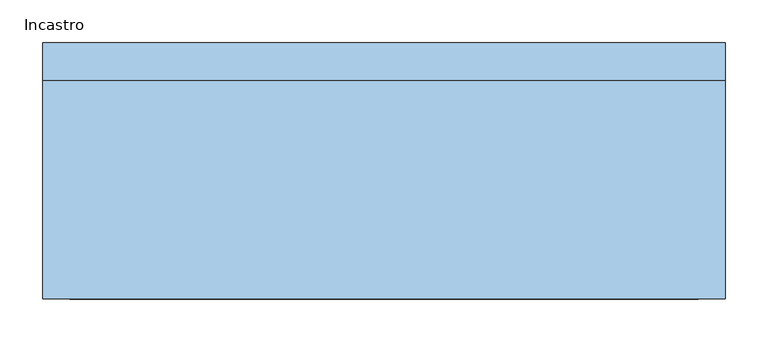
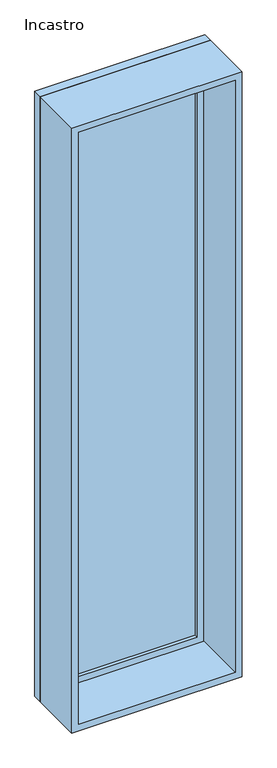
"""IFC4 building model written with IfcOpenShell, lengths in millimetres: window geometry, Incastro."""

import ifcopenshell
import ifcopenshell.guid

model = None  # the IFC model being written
_history = None  # IfcOwnerHistory: only IFC2X3 demands one
_inside = {}  # id of a spatial element -> (the spatial element, [elements in it])
_under = {}  # id of a project, library or spatial element -> (it, [spatial elements below it])
_declared = {}  # id of a project -> (the project, [libraries it declares])
_typed = {}  # id of a type object -> (the type object, [elements of that type])
_made_of = {}  # id of a material, layer set ... -> (it, [elements and type objects made of it])


def new_model(schema):
    """Start an empty IFC model of exactly this schema.

    Asked for "IFC4X3", IfcOpenShell would pick the latest addendum, in which some entities
    have other attributes; the version numbers below select the first issue.
    IFC2X3 requires an IfcOwnerHistory on every rooted entity: one is made here for all.
    """
    global model, _history
    if schema == "IFC4X3":
        model = ifcopenshell.file(schema_version=(4, 3, 0, 0))
    else:
        model = ifcopenshell.file(schema=schema)
    _inside.clear()
    _under.clear()
    _declared.clear()
    _typed.clear()
    _made_of.clear()
    _history = None
    if model.schema == "IFC2X3":
        org = make("IfcOrganization", Name="unknown")
        user = make(
            "IfcPersonAndOrganization",
            ThePerson=make("IfcPerson", FamilyName="unknown"),
            TheOrganization=org,
        )
        app = make(
            "IfcApplication",
            ApplicationDeveloper=org,
            Version="unknown",
            ApplicationFullName="unknown",
            ApplicationIdentifier="unknown",
        )
        _history = make(
            "IfcOwnerHistory",
            OwningUser=user,
            OwningApplication=app,
            ChangeAction="ADDED",
            CreationDate=0,
        )
    return model


def make(cls, **values):
    """One entity of the class cls with the attributes given. An attribute that is None is left unset."""
    return model.create_entity(
        cls, **{name: value for name, value in values.items() if value is not None}
    )


def rooted(cls, **values):
    """An entity with a GlobalId (a new one), such as an element, a storey or a relation."""
    return make(cls, GlobalId=ifcopenshell.guid.new(), OwnerHistory=_history, **values)


def si_unit(unit_type, name, prefix=None):
    """IfcSIUnit, for example si_unit("LENGTHUNIT", "METRE", prefix="MILLI")."""
    return make("IfcSIUnit", UnitType=unit_type, Prefix=prefix, Name=name)


def assignment(units):
    """IfcUnitAssignment: the units of a project."""
    return None if units is None else make("IfcUnitAssignment", Units=units)


def point(xyz):
    """IfcCartesianPoint."""
    return None if xyz is None else make("IfcCartesianPoint", Coordinates=xyz)


def direction(xyz):
    """IfcDirection."""
    return None if xyz is None else make("IfcDirection", DirectionRatios=xyz)


def frame(location, z_axis=None, x_axis=None):
    """IfcAxis2Placement3D, a coordinate frame: its origin and axes. An axis left out is left unset."""
    return make(
        "IfcAxis2Placement3D",
        Location=point(location),
        Axis=direction(z_axis),
        RefDirection=direction(x_axis),
    )


def origin():
    """The frame at (0, 0, 0) with its axes left unset."""
    return frame((0.0, 0.0, 0.0))


def place(relative_to, where):
    """IfcLocalPlacement: puts the frame where relative to a parent placement (None: the world)."""
    return make(
        "IfcLocalPlacement", PlacementRelTo=relative_to, RelativePlacement=where
    )


def context(
    kind, dimensions, precision=None, world=None, true_north=None, identifier=None
):
    """IfcGeometricRepresentationContext, for example the 3D "Model" context."""
    return make(
        "IfcGeometricRepresentationContext",
        ContextIdentifier=identifier,
        ContextType=kind,
        CoordinateSpaceDimension=dimensions,
        Precision=precision,
        WorldCoordinateSystem=world,
        TrueNorth=true_north,
    )


def project(units=None, contexts=None):
    """IfcProject with its units and contexts."""
    return rooted(
        "IfcProject",
        Name="project",
        RepresentationContexts=contexts,
        UnitsInContext=assignment(units),
    )


def spatial(cls, under=None, at=None, **own):
    """A site, building, storey or space (cls), placed at a placement, below another one or the project."""
    s = rooted(cls, ObjectPlacement=at, **own)
    if under is not None:
        _under.setdefault(under.id(), (under, []))[1].append(s)
    return s


def polyline(points):
    """IfcPolyline through the points."""
    return make("IfcPolyline", Points=[point(p) for p in points])


def outline(outer, holes=None, kind="AREA"):
    """IfcArbitraryClosedProfileDef: a profile drawn as a closed curve; with holes, ...WithVoids."""
    if holes is None:
        return make("IfcArbitraryClosedProfileDef", ProfileType=kind, OuterCurve=outer)
    return make(
        "IfcArbitraryProfileDefWithVoids",
        ProfileType=kind,
        OuterCurve=outer,
        InnerCurves=holes,
    )


def extrude(swept, where, along, depth):
    """IfcExtrudedAreaSolid: the profile swept, set in the frame where, extruded along a direction by depth."""
    return make(
        "IfcExtrudedAreaSolid",
        SweptArea=swept,
        Position=where,
        ExtrudedDirection=direction(along),
        Depth=depth,
    )


def shape(context_of_items, identifier, shape_type, items):
    """IfcShapeRepresentation: the items that make up one representation, for example the "Body"."""
    return make(
        "IfcShapeRepresentation",
        ContextOfItems=context_of_items,
        RepresentationIdentifier=identifier,
        RepresentationType=shape_type,
        Items=items,
    )


def source(mapping_origin, context_of_items, identifier, shape_type, items):
    """IfcRepresentationMap: a shape defined once, which mapped items show again and again."""
    return make(
        "IfcRepresentationMap",
        MappingOrigin=mapping_origin,
        MappedRepresentation=shape(context_of_items, identifier, shape_type, items),
    )


def transform(
    local_origin,
    x_axis=None,
    y_axis=None,
    z_axis=None,
    scale=None,
    scale2=None,
    scale3=None,
    uniform=True,
):
    """IfcCartesianTransformationOperator3D, or its non-uniform kind. x_axis, y_axis, z_axis: its Axis1, 2, 3."""
    if uniform:
        return make(
            "IfcCartesianTransformationOperator3D",
            Axis1=direction(x_axis),
            Axis2=direction(y_axis),
            LocalOrigin=point(local_origin),
            Scale=scale,
            Axis3=direction(z_axis),
        )
    return make(
        "IfcCartesianTransformationOperator3DnonUniform",
        Axis1=direction(x_axis),
        Axis2=direction(y_axis),
        LocalOrigin=point(local_origin),
        Scale=scale,
        Axis3=direction(z_axis),
        Scale2=scale2,
        Scale3=scale3,
    )


def mapped(mapping_source, mapping_target):
    """IfcMappedItem: shows the shape of a source again, moved by a transform."""
    return make(
        "IfcMappedItem", MappingSource=mapping_source, MappingTarget=mapping_target
    )


def made_of(thing, what):
    """Note that an element or type object is made of a material, layer set ...; save() writes the relation."""
    if what is not None:
        _made_of.setdefault(what.id(), (what, []))[1].append(thing)
    return thing


def element(
    cls,
    number,
    at=None,
    inside=None,
    cuts=None,
    type_object=None,
    material=None,
    context=None,
    identifier="Body",
    shape_type=None,
    held_by="IfcProductDefinitionShape",
    body=None,
    shapes=None,
    **own,
):
    """One element of the class cls, such as IfcWall. Its Tag is "e" and its number.

    at: its placement. inside: the storey or other place that contains it. cuts: it is an
    opening in that element (IfcRelVoidsElement). A single representation is given by context,
    identifier, shape_type and body (its items); several are given by shapes. held_by: the class
    of the entity that holds the representations. save() writes the other relations.
    """
    e = rooted(cls, Tag="e%d" % number, ObjectPlacement=at, **own)
    if body is not None:
        shapes = [shape(context, identifier, shape_type, body)]
    if shapes is not None:
        e.Representation = make(held_by, Representations=shapes)
    if inside is not None:
        _inside.setdefault(inside.id(), (inside, []))[1].append(e)
    if cuts is not None:
        rooted(
            "IfcRelVoidsElement", RelatingBuildingElement=cuts, RelatedOpeningElement=e
        )
    if type_object is not None:
        _typed.setdefault(type_object.id(), (type_object, []))[1].append(e)
    return made_of(e, material)


def aggregate(whole, parts):
    """IfcRelAggregates: a whole, such as a stair, and the parts it consists of."""
    return rooted("IfcRelAggregates", RelatingObject=whole, RelatedObjects=parts)


def save(model, path):
    """Write the relations noted so far, then the file.

    IfcRelAggregates (storeys below a building ...), IfcRelContainedInSpatialStructure (elements
    in a storey), IfcRelDefinesByType, IfcRelAssociatesMaterial and IfcRelDeclares: one each for
    every whole, place, type object, material and project.
    """
    for whole, parts in _under.values():
        aggregate(whole, parts)
    for where, things in _inside.values():
        rooted(
            "IfcRelContainedInSpatialStructure",
            RelatedElements=things,
            RelatingStructure=where,
        )
    for kind, things in _typed.values():
        rooted("IfcRelDefinesByType", RelatedObjects=things, RelatingType=kind)
    for what, things in _made_of.values():
        rooted("IfcRelAssociatesMaterial", RelatedObjects=things, RelatingMaterial=what)
    for by, libraries in _declared.values():
        rooted("IfcRelDeclares", RelatingContext=by, RelatedDefinitions=libraries)
    model.write(path)


def incastro_566ea433(model_context):
    return source(origin(), model_context, "Body", "SweptSolid", [
        extrude(outline(polyline([(-337.0, 147.0), (337.0, 147.0), (337.0, 135.0), (-337.0, 135.0), (-337.0, 147.0)])), frame((0.0, 0.0, 63.0), z_axis=(0.0, 0.0, 1.0), x_axis=(1.0, 0.0, 0.0)), (0.0, 0.0, 1.0), 2874.0),
        extrude(outline(polyline([(2981.0, -381.0), (19.0, -381.0), (19.0, 381.0), (2981.0, 381.0), (2981.0, -381.0)]), holes=[polyline([(2937.0, -337.0), (2937.0, 337.0), (63.0, 337.0), (63.0, -337.0), (2937.0, -337.0)])]), frame((0.0, 119.0, 0.0), z_axis=(0.0, 1.0, 0.0), x_axis=(0.0, 0.0, 1.0)), (0.0, 0.0, 1.0), 44.0),
        extrude(outline(polyline([(3000.0, -400.0), (0.0, -400.0), (0.0, 400.0), (3000.0, 400.0), (3000.0, -400.0)]), holes=[polyline([(2981.0, -381.0), (2981.0, 381.0), (19.0, 381.0), (19.0, -381.0), (2981.0, -381.0)])]), frame((0.0, 119.0, 0.0), z_axis=(0.0, 1.0, 0.0), x_axis=(0.0, 0.0, 1.0)), (0.0, 0.0, 1.0), 44.0),
        extrude(outline(polyline([(3000.0, -400.0), (0.0, -400.0), (0.0, 400.0), (3000.0, 400.0), (3000.0, -400.0)]), holes=[polyline([(2968.0, -368.0), (2968.0, 368.0), (32.0, 368.0), (32.0, -368.0), (2968.0, -368.0)])]), frame((0.0, -137.0, 0.0), z_axis=(0.0, 1.0, 0.0), x_axis=(0.0, 0.0, 1.0)), (0.0, 0.0, 1.0), 256.0),
    ])


if __name__ == "__main__":
    model = new_model("IFC4")
    model_context = context("Model", 3, world=origin())
    ifc_project = project(units=[si_unit("LENGTHUNIT", "METRE", prefix="MILLI")], contexts=[model_context])
    site = spatial("IfcSite", under=ifc_project)
    building = spatial("IfcBuilding", under=site)
    placement = place(None, origin())
    incastro_shape = incastro_566ea433(model_context)
    element("IfcWindow", 1, ObjectType="Incastro", at=placement, inside=building, context=model_context, shape_type="MappedRepresentation", body=[
        mapped(incastro_shape, transform((0.0, 0.0, 0.0), x_axis=(1.0, 0.0, 0.0), y_axis=(0.0, 1.0, 0.0), z_axis=(0.0, 0.0, 1.0))),
    ])
    save(model, "model.ifc")
